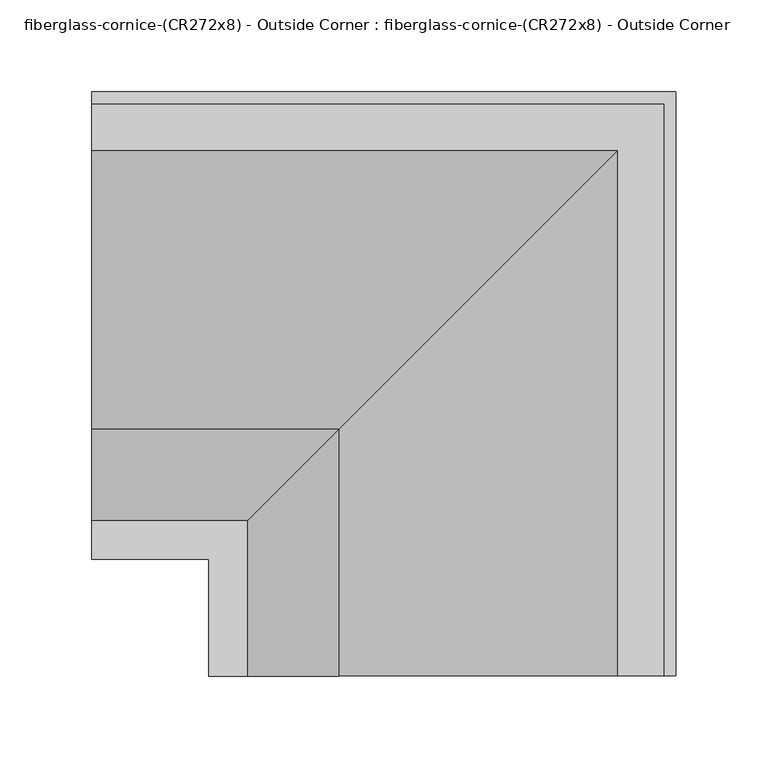
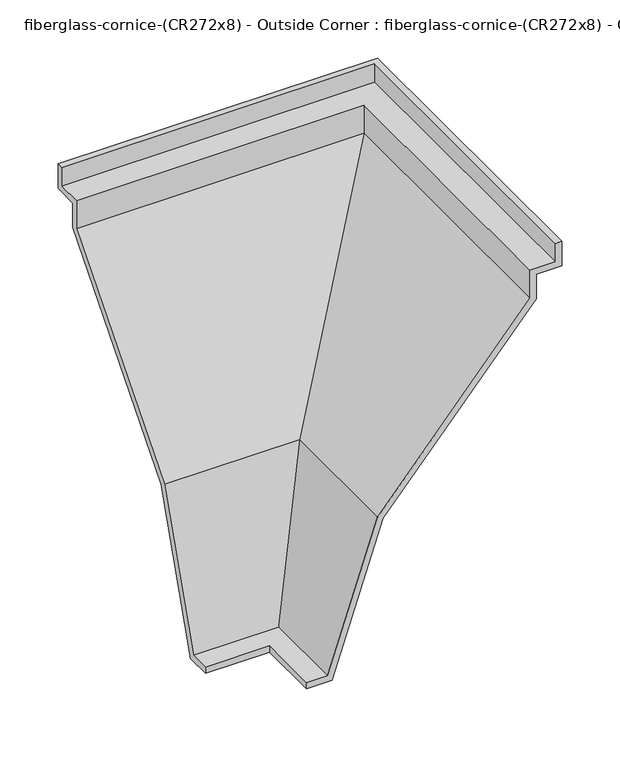
"""IFC4 building model written with IfcOpenShell, lengths in millimetres: furniture geometry, fiberglass-cornice-(CR272x8) - Outside Corner : fiberglass-cornice-(CR272x8) - Outside Corner."""

from ifc_helpers import new_model, si_unit, origin, place, context, project, spatial, faceted_brep, source, transform, mapped, element, save


def fiberglass_cornice_cr272x8_outside_corner_fiberglass_cornice_b452cd96(model_context):
    return source(origin(), model_context, "Body", "Brep", [
        faceted_brep([(-196.9488213, 355.6, 330.1999904), (-196.9488213, 355.6, 304.478595), (-196.9488213, 330.2, 304.478595), (-196.9488213, 330.2, 279.078595), (-196.9488213, 177.8, 101.5398783), (-196.9488213, 127.0, -50.8601217), (-196.9488213, 101.6, -50.8601217), (-196.9488213, 101.6, -44.5101217), (-196.9488213, 122.423179, -44.5101217), (-196.9488213, 172.1699694, 104.7302496), (-196.9488213, 323.85, 281.4302364), (-196.9488213, 323.85, 310.828595), (-196.9488213, 349.25, 310.828595), (-196.9488213, 349.25, 330.1999904), (120.6503974, 38.0007813, 330.1999904), (114.3003974, 38.0007813, 330.1999904), (114.3003974, 38.0007813, 310.828595), (88.9003974, 38.0007813, 310.828595), (88.9003974, 38.0007813, 281.4302364), (-62.7796332, 38.0007813, 104.7302496), (-112.5264236, 38.0007813, -44.5101217), (-133.3496026, 38.0007813, -44.5101217), (-133.3496026, 38.0007813, -50.8601217), (-107.9496026, 38.0007813, -50.8601217), (-57.1496026, 38.0007813, 101.5398783), (95.2503974, 38.0007813, 279.078595), (95.2503974, 38.0007813, 304.478595), (120.6503974, 38.0007813, 304.478595), (120.6503974, 355.6, 330.1999904), (120.6503974, 355.6, 304.478595), (95.2503974, 330.2, 304.478595), (95.2503974, 330.2, 279.078595), (-57.1496026, 177.8, 101.5398783), (-107.9496026, 127.0, -50.8601217), (-133.3496026, 101.6, -50.8601217), (-133.3496026, 101.6, -44.5101217), (-112.5264236, 122.423179, -44.5101217), (-62.7796332, 172.1699694, 104.7302496), (88.9003974, 323.85, 281.4302364), (88.9003974, 323.85, 310.828595), (114.3003974, 349.25, 310.828595), (114.3003974, 349.25, 330.1999904)], [[[0, 1, 2, 3, 4, 5, 6, 7, 8, 9, 10, 11, 12, 13]], [[14, 15, 16, 17, 18, 19, 20, 21, 22, 23, 24, 25, 26, 27]], [[1, 0, 28, 29]], [[2, 1, 29, 27, 26, 30]], [[3, 2, 30, 31]], [[4, 3, 31, 32]], [[5, 4, 32, 33]], [[6, 5, 33, 23, 22, 34]], [[7, 6, 34, 35]], [[8, 7, 35, 21, 20, 36]], [[9, 8, 36, 37]], [[10, 9, 37, 38]], [[11, 10, 38, 39]], [[12, 11, 39, 17, 16, 40]], [[13, 12, 40, 41]], [[0, 13, 41, 15, 14, 28]], [[29, 28, 14, 27]], [[31, 30, 26, 25]], [[32, 31, 25, 24]], [[33, 32, 24, 23]], [[35, 34, 22, 21]], [[37, 36, 20, 19]], [[38, 37, 19, 18]], [[39, 38, 18, 17]], [[41, 40, 16, 15]]]),
    ])


if __name__ == "__main__":
    model = new_model("IFC4")
    model_context = context("Model", 3, world=origin())
    ifc_project = project(units=[si_unit("LENGTHUNIT", "METRE", prefix="MILLI")], contexts=[model_context])
    site = spatial("IfcSite", under=ifc_project)
    building = spatial("IfcBuilding", under=site)
    placement = place(None, origin())
    fiberglass_cornice_cr272x8_outside_corner_fiberglass_cornice_shape = fiberglass_cornice_cr272x8_outside_corner_fiberglass_cornice_b452cd96(model_context)
    element("IfcFurniture", 1, ObjectType="fiberglass-cornice-(CR272x8) - Outside Corner : fiberglass-cornice-(CR272x8) - Outside Corner", at=placement, inside=building, context=model_context, shape_type="MappedRepresentation", body=[
        mapped(fiberglass_cornice_cr272x8_outside_corner_fiberglass_cornice_shape, transform((0.0, 0.0, 0.0), x_axis=(1.0, 0.0, 0.0), y_axis=(0.0, 1.0, 0.0), z_axis=(0.0, 0.0, 1.0))),
    ])
    save(model, "model.ifc")
